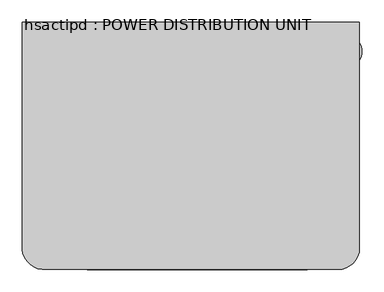
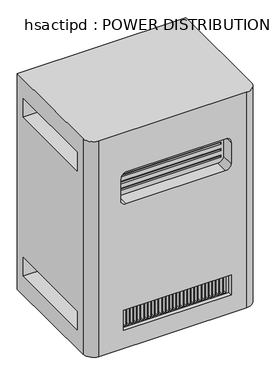
"""IFC4 building model written with IfcOpenShell, lengths in millimetres: proxy geometry, hsactipd : POWER DISTRIBUTION UNIT."""

from ifc_helpers import new_model, si_unit, frame, origin, place, context, project, spatial, polyline, circle_curve, source, transform, mapped, element, save
from ifc_brep_helpers import plane_surface, cylinder_surface, revolved_surface, advanced_brep


def hsactipd_power_distribution_unit_872da1f0(model_context):
    return source(origin(), model_context, "Body", "AdvancedBrep", [
        advanced_brep(
        [(777.1214984, -278.2670561, 1061.72), (13.3803622, -278.2670561, 1061.72), (13.3803622, -793.0708407, 1061.72), (58.9890922, -838.6795708, 1061.72), (728.6943488, -838.6795708, 1061.72), (777.1214984, -799.4290288, 1061.72), (777.1214984, -278.2670561, 29.0723606), (777.1214984, -799.4290288, 29.0723606), (728.6943488, -838.6795708, 29.0723606), (58.9890922, -838.6795708, 29.0723606), (13.3803622, -793.0708407, 29.0723606), (13.3803622, -278.2670561, 29.0723606), (13.3803622, -321.9979539, 118.507899), (13.3803622, -321.9979539, 207.407899), (13.3803622, -747.4479539, 207.407899), (13.3803622, -747.4479539, 118.507899), (13.3803622, -321.9979539, 880.507899), (13.3803622, -321.9979539, 969.407899), (13.3803622, -747.4479539, 969.407899), (13.3803622, -747.4479539, 880.507899), (658.9972816, -838.6795708, 211.3956245), (658.9972816, -838.6795708, 116.1456245), (170.0472816, -838.6795708, 116.1456245), (170.0472816, -838.6795708, 211.3956245), (633.5972816, -838.6795708, 871.292643), (658.9972816, -838.6795708, 845.892643), (658.9972816, -838.6795708, 745.3012718), (633.5972816, -838.6795708, 719.9012718), (182.7472816, -838.6795708, 719.9012718), (160.6748993, -838.6795708, 732.7326625), (160.6748993, -838.6795708, 845.892643), (186.0748993, -838.6795708, 871.292643), (777.1214984, -321.9979539, 207.407899), (777.1214984, -321.9979539, 118.507899), (777.1214984, -747.4479539, 118.507899), (777.1214984, -747.4479539, 207.407899), (777.1214984, -321.9979539, 969.407899), (777.1214984, -321.9979539, 880.507899), (777.1214984, -747.4479539, 880.507899), (777.1214984, -747.4479539, 969.407899), (658.9972816, -820.2558112, 211.3956245), (170.0472816, -820.2558112, 211.3956245), (170.0472816, -820.2558112, 116.1456245), (658.9972816, -820.2558112, 116.1456245), (190.1782237, -820.2558112, 207.407899), (190.1782237, -820.2558112, 120.3783251), (180.7461805, -820.2558112, 120.3783251), (180.7461805, -820.2558112, 207.407899), (206.3777551, -820.2558112, 207.407899), (206.3777551, -820.2558112, 120.3783251), (196.9457119, -820.2558112, 120.3783251), (196.9457119, -820.2558112, 207.407899), (222.6337551, -820.2558112, 207.407899), (222.6337551, -820.2558112, 120.3783251), (213.2017119, -820.2558112, 120.3783251), (213.2017119, -820.2558112, 207.407899), (238.8897551, -820.2558112, 207.407899), (238.8897551, -820.2558112, 120.3783251), (229.4577119, -820.2558112, 120.3783251), (229.4577119, -820.2558112, 207.407899), (255.1457551, -820.2558112, 207.407899), (255.1457551, -820.2558112, 120.3783251), (245.7137119, -820.2558112, 120.3783251), (245.7137119, -820.2558112, 207.407899), (271.4017551, -820.2558112, 207.407899), (271.4017551, -820.2558112, 120.3783251), (261.9697119, -820.2558112, 120.3783251), (261.9697119, -820.2558112, 207.407899), (287.6577551, -820.2558112, 207.407899), (287.6577551, -820.2558112, 120.3783251), (278.2257119, -820.2558112, 120.3783251), (278.2257119, -820.2558112, 207.407899), (303.9137551, -820.2558112, 207.407899), (303.9137551, -820.2558112, 120.3783251), (294.4817119, -820.2558112, 120.3783251), (294.4817119, -820.2558112, 207.407899), (320.1697551, -820.2558112, 207.407899), (320.1697551, -820.2558112, 120.3783251), (310.7377119, -820.2558112, 120.3783251), (310.7377119, -820.2558112, 207.407899), (336.4257551, -820.2558112, 207.407899), (336.4257551, -820.2558112, 120.3783251), (326.9937119, -820.2558112, 120.3783251), (326.9937119, -820.2558112, 207.407899), (352.6817551, -820.2558112, 207.407899), (352.6817551, -820.2558112, 120.3783251), (343.2497119, -820.2558112, 120.3783251), (343.2497119, -820.2558112, 207.407899), (368.9377551, -820.2558112, 207.407899), (368.9377551, -820.2558112, 120.3783251), (359.5057119, -820.2558112, 120.3783251), (359.5057119, -820.2558112, 207.407899), (385.1937551, -820.2558112, 207.407899), (385.1937551, -820.2558112, 120.3783251), (375.7617119, -820.2558112, 120.3783251), (375.7617119, -820.2558112, 207.407899), (401.4497551, -820.2558112, 207.407899), (401.4497551, -820.2558112, 120.3783251), (392.0177119, -820.2558112, 120.3783251), (392.0177119, -820.2558112, 207.407899), (417.7057551, -820.2558112, 207.407899), (417.7057551, -820.2558112, 120.3783251), (408.2737119, -820.2558112, 120.3783251), (408.2737119, -820.2558112, 207.407899), (433.9617551, -820.2558112, 207.407899), (433.9617551, -820.2558112, 120.3783251), (424.5297119, -820.2558112, 120.3783251), (424.5297119, -820.2558112, 207.407899), (450.2177551, -820.2558112, 207.407899), (450.2177551, -820.2558112, 120.3783251), (440.7857119, -820.2558112, 120.3783251), (440.7857119, -820.2558112, 207.407899), (466.4737551, -820.2558112, 207.407899), (466.4737551, -820.2558112, 120.3783251), (457.0417119, -820.2558112, 120.3783251), (457.0417119, -820.2558112, 207.407899), (482.7297551, -820.2558112, 207.407899), (482.7297551, -820.2558112, 120.3783251), (473.2977119, -820.2558112, 120.3783251), (473.2977119, -820.2558112, 207.407899), (498.9857551, -820.2558112, 207.407899), (498.9857551, -820.2558112, 120.3783251), (489.5537119, -820.2558112, 120.3783251), (489.5537119, -820.2558112, 207.407899), (515.2417551, -820.2558112, 207.407899), (515.2417551, -820.2558112, 120.3783251), (505.8097119, -820.2558112, 120.3783251), (505.8097119, -820.2558112, 207.407899), (531.4977551, -820.2558112, 207.407899), (531.4977551, -820.2558112, 120.3783251), (522.0657119, -820.2558112, 120.3783251), (522.0657119, -820.2558112, 207.407899), (547.7537551, -820.2558112, 207.407899), (547.7537551, -820.2558112, 120.3783251), (538.3217119, -820.2558112, 120.3783251), (538.3217119, -820.2558112, 207.407899), (564.0097551, -820.2558112, 207.407899), (564.0097551, -820.2558112, 120.3783251), (554.5777119, -820.2558112, 120.3783251), (554.5777119, -820.2558112, 207.407899), (580.2657551, -820.2558112, 207.407899), (580.2657551, -820.2558112, 120.3783251), (570.8337119, -820.2558112, 120.3783251), (570.8337119, -820.2558112, 207.407899), (596.5217551, -820.2558112, 207.407899), (596.5217551, -820.2558112, 120.3783251), (587.0897119, -820.2558112, 120.3783251), (587.0897119, -820.2558112, 207.407899), (612.7777551, -820.2558112, 207.407899), (612.7777551, -820.2558112, 120.3783251), (603.3457119, -820.2558112, 120.3783251), (603.3457119, -820.2558112, 207.407899), (629.0337551, -820.2558112, 207.407899), (629.0337551, -820.2558112, 120.3783251), (619.6017119, -820.2558112, 120.3783251), (619.6017119, -820.2558112, 207.407899), (645.2897551, -820.2558112, 207.407899), (645.2897551, -820.2558112, 120.3783251), (635.8577119, -820.2558112, 120.3783251), (635.8577119, -820.2558112, 207.407899), (190.1782237, -779.1979539, 207.407899), (180.7461805, -779.1979539, 207.407899), (180.7461805, -779.1979539, 120.3783251), (190.1782237, -779.1979539, 120.3783251), (206.3777551, -779.1979539, 207.407899), (196.9457119, -779.1979539, 207.407899), (196.9457119, -779.1979539, 120.3783251), (206.3777551, -779.1979539, 120.3783251), (222.6337551, -779.1979539, 207.407899), (213.2017119, -779.1979539, 207.407899), (213.2017119, -779.1979539, 120.3783251), (222.6337551, -779.1979539, 120.3783251), (238.8897551, -779.1979539, 207.407899), (229.4577119, -779.1979539, 207.407899), (229.4577119, -779.1979539, 120.3783251), (238.8897551, -779.1979539, 120.3783251), (255.1457551, -779.1979539, 207.407899), (245.7137119, -779.1979539, 207.407899), (245.7137119, -779.1979539, 120.3783251), (255.1457551, -779.1979539, 120.3783251), (271.4017551, -779.1979539, 207.407899), (261.9697119, -779.1979539, 207.407899), (261.9697119, -779.1979539, 120.3783251), (271.4017551, -779.1979539, 120.3783251), (287.6577551, -779.1979539, 207.407899), (278.2257119, -779.1979539, 207.407899), (278.2257119, -779.1979539, 120.3783251), (287.6577551, -779.1979539, 120.3783251), (303.9137551, -779.1979539, 207.407899), (294.4817119, -779.1979539, 207.407899), (294.4817119, -779.1979539, 120.3783251), (303.9137551, -779.1979539, 120.3783251), (320.1697551, -779.1979539, 207.407899), (310.7377119, -779.1979539, 207.407899), (310.7377119, -779.1979539, 120.3783251), (320.1697551, -779.1979539, 120.3783251), (336.4257551, -779.1979539, 207.407899), (326.9937119, -779.1979539, 207.407899), (326.9937119, -779.1979539, 120.3783251), (336.4257551, -779.1979539, 120.3783251), (352.6817551, -779.1979539, 207.407899), (343.2497119, -779.1979539, 207.407899), (343.2497119, -779.1979539, 120.3783251), (352.6817551, -779.1979539, 120.3783251), (368.9377551, -779.1979539, 207.407899), (359.5057119, -779.1979539, 207.407899), (359.5057119, -779.1979539, 120.3783251), (368.9377551, -779.1979539, 120.3783251), (385.1937551, -779.1979539, 207.407899), (375.7617119, -779.1979539, 207.407899), (375.7617119, -779.1979539, 120.3783251), (385.1937551, -779.1979539, 120.3783251), (401.4497551, -779.1979539, 207.407899), (392.0177119, -779.1979539, 207.407899), (392.0177119, -779.1979539, 120.3783251), (401.4497551, -779.1979539, 120.3783251), (417.7057551, -779.1979539, 207.407899), (408.2737119, -779.1979539, 207.407899), (408.2737119, -779.1979539, 120.3783251), (417.7057551, -779.1979539, 120.3783251), (433.9617551, -779.1979539, 207.407899), (424.5297119, -779.1979539, 207.407899), (424.5297119, -779.1979539, 120.3783251), (433.9617551, -779.1979539, 120.3783251), (450.2177551, -779.1979539, 207.407899), (440.7857119, -779.1979539, 207.407899), (440.7857119, -779.1979539, 120.3783251), (450.2177551, -779.1979539, 120.3783251), (466.4737551, -779.1979539, 207.407899), (457.0417119, -779.1979539, 207.407899), (457.0417119, -779.1979539, 120.3783251), (466.4737551, -779.1979539, 120.3783251), (482.7297551, -779.1979539, 207.407899), (473.2977119, -779.1979539, 207.407899), (473.2977119, -779.1979539, 120.3783251), (482.7297551, -779.1979539, 120.3783251), (498.9857551, -779.1979539, 207.407899), (489.5537119, -779.1979539, 207.407899), (489.5537119, -779.1979539, 120.3783251), (498.9857551, -779.1979539, 120.3783251), (515.2417551, -779.1979539, 207.407899), (505.8097119, -779.1979539, 207.407899), (505.8097119, -779.1979539, 120.3783251), (515.2417551, -779.1979539, 120.3783251), (531.4977551, -779.1979539, 207.407899), (522.0657119, -779.1979539, 207.407899), (522.0657119, -779.1979539, 120.3783251), (531.4977551, -779.1979539, 120.3783251), (547.7537551, -779.1979539, 207.407899), (538.3217119, -779.1979539, 207.407899), (538.3217119, -779.1979539, 120.3783251), (547.7537551, -779.1979539, 120.3783251), (564.0097551, -779.1979539, 207.407899), (554.5777119, -779.1979539, 207.407899), (554.5777119, -779.1979539, 120.3783251), (564.0097551, -779.1979539, 120.3783251), (580.2657551, -779.1979539, 207.407899), (570.8337119, -779.1979539, 207.407899), (570.8337119, -779.1979539, 120.3783251), (580.2657551, -779.1979539, 120.3783251), (596.5217551, -779.1979539, 207.407899), (587.0897119, -779.1979539, 207.407899), (587.0897119, -779.1979539, 120.3783251), (596.5217551, -779.1979539, 120.3783251), (612.7777551, -779.1979539, 207.407899), (603.3457119, -779.1979539, 207.407899), (603.3457119, -779.1979539, 120.3783251), (612.7777551, -779.1979539, 120.3783251), (629.0337551, -779.1979539, 207.407899), (619.6017119, -779.1979539, 207.407899), (619.6017119, -779.1979539, 120.3783251), (629.0337551, -779.1979539, 120.3783251), (645.2897551, -779.1979539, 207.407899), (635.8577119, -779.1979539, 207.407899), (635.8577119, -779.1979539, 120.3783251), (645.2897551, -779.1979539, 120.3783251), (633.5972816, -779.1979539, 871.292643), (186.0748993, -779.1979539, 871.292643), (160.6748993, -779.1979539, 845.892643), (160.6748993, -779.1979539, 732.7326625), (182.7472816, -779.1979539, 719.9012718), (633.5972816, -779.1979539, 719.9012718), (658.9972816, -779.1979539, 745.3012718), (658.9972816, -779.1979539, 845.892643), (647.2926794, -779.1979539, 848.614), (647.2926794, -779.1979539, 838.8967769), (170.9397372, -779.1979539, 838.8967769), (170.9397372, -779.1979539, 848.614), (647.2926794, -779.1979539, 816.864), (647.2926794, -779.1979539, 807.1467769), (170.9397372, -779.1979539, 807.1467769), (170.9397372, -779.1979539, 816.864), (647.2926794, -779.1979539, 785.114), (647.2926794, -779.1979539, 775.3967769), (170.9397372, -779.1979539, 775.3967769), (170.9397372, -779.1979539, 785.114), (647.2926794, -779.1979539, 753.364), (647.2926794, -779.1979539, 743.6467769), (170.9397372, -779.1979539, 743.6467769), (170.9397372, -779.1979539, 753.364), (647.2926794, -770.5456119, 848.614), (170.9397372, -770.5456119, 848.614), (170.9397372, -770.5456119, 838.8967769), (647.2926794, -770.5456119, 838.8967769), (647.2926794, -770.5456119, 816.864), (170.9397372, -770.5456119, 816.864), (170.9397372, -770.5456119, 807.1467769), (647.2926794, -770.5456119, 807.1467769), (647.2926794, -770.5456119, 785.114), (170.9397372, -770.5456119, 785.114), (170.9397372, -770.5456119, 775.3967769), (647.2926794, -770.5456119, 775.3967769), (647.2926794, -770.5456119, 753.364), (170.9397372, -770.5456119, 753.364), (170.9397372, -770.5456119, 743.6467769), (647.2926794, -770.5456119, 743.6467769), (706.2723647, -321.9979539, 207.407899), (706.2723647, -747.4479539, 207.407899), (706.2723647, -747.4479539, 118.507899), (706.2723647, -321.9979539, 118.507899), (706.2723647, -321.9979539, 969.407899), (706.2723647, -747.4479539, 969.407899), (706.2723647, -747.4479539, 880.507899), (706.2723647, -321.9979539, 880.507899), (85.7009313, -321.9979539, 207.407899), (85.7009313, -321.9979539, 118.507899), (85.7009313, -747.4479539, 118.507899), (85.7009313, -747.4479539, 207.407899), (85.7009313, -321.9979539, 969.407899), (85.7009313, -321.9979539, 880.507899), (85.7009313, -747.4479539, 880.507899), (85.7009313, -747.4479539, 969.407899)],
        [
            (0, 1),
            (1, 2),
            (2, 3, circle_curve(frame((64.1803622, -787.8795708, 1061.72), z_axis=(0.0, 0.0, 1.0), x_axis=(-1.0, 0.0, 0.0)), 51.06456)),
            (3, 4),
            (4, 5, circle_curve(frame((728.6943488, -789.1796955, 1061.72), z_axis=(0.0, 0.0, 1.0), x_axis=(-1.0, 0.0, 0.0)), 49.4998753)),
            (5, 0),
            (6, 7),
            (7, 8, circle_curve(frame((728.6943488, -789.1796955, 29.0723606), z_axis=(0.0, 0.0, -1.0), x_axis=(-1.0, 0.0, 0.0)), 49.4998753)),
            (8, 9),
            (9, 10, circle_curve(frame((64.1803622, -787.8795708, 29.0723606), z_axis=(0.0, 0.0, -1.0), x_axis=(-1.0, 0.0, 0.0)), 51.06456)),
            (10, 11),
            (11, 6),
            (0, 6),
            (11, 1),
            (10, 2),
            (12, 13),
            (13, 14),
            (14, 15),
            (15, 12),
            (16, 17),
            (17, 18),
            (18, 19),
            (19, 16),
            (9, 3),
            (8, 4),
            (20, 21),
            (21, 22),
            (22, 23),
            (23, 20),
            (24, 25, circle_curve(frame((633.5972816, -838.6795708, 845.892643), z_axis=(0.0, 1.0, 0.0), x_axis=(-1.0, 0.0, 0.0)), 25.4)),
            (25, 26),
            (26, 27, circle_curve(frame((633.5972816, -838.6795708, 745.3012718), z_axis=(0.0, 1.0, 0.0), x_axis=(-1.0, 0.0, 0.0)), 25.4)),
            (27, 28),
            (28, 29, circle_curve(frame((182.7472816, -838.6795708, 745.3012718), z_axis=(0.0, 1.0, 0.0), x_axis=(-1.0, 0.0, 0.0)), 25.4)),
            (29, 30),
            (30, 31, circle_curve(frame((186.0748993, -838.6795708, 845.892643), z_axis=(0.0, 1.0, 0.0), x_axis=(-1.0, 0.0, 0.0)), 25.4)),
            (31, 24),
            (7, 5),
            (32, 33),
            (33, 34),
            (34, 35),
            (35, 32),
            (36, 37),
            (37, 38),
            (38, 39),
            (39, 36),
            (40, 41),
            (41, 42),
            (42, 43),
            (43, 40),
            (44, 45),
            (45, 46),
            (46, 47),
            (47, 44),
            (48, 49),
            (49, 50),
            (50, 51),
            (51, 48),
            (52, 53),
            (53, 54),
            (54, 55),
            (55, 52),
            (56, 57),
            (57, 58),
            (58, 59),
            (59, 56),
            (60, 61),
            (61, 62),
            (62, 63),
            (63, 60),
            (64, 65),
            (65, 66),
            (66, 67),
            (67, 64),
            (68, 69),
            (69, 70),
            (70, 71),
            (71, 68),
            (72, 73),
            (73, 74),
            (74, 75),
            (75, 72),
            (76, 77),
            (77, 78),
            (78, 79),
            (79, 76),
            (80, 81),
            (81, 82),
            (82, 83),
            (83, 80),
            (84, 85),
            (85, 86),
            (86, 87),
            (87, 84),
            (88, 89),
            (89, 90),
            (90, 91),
            (91, 88),
            (92, 93),
            (93, 94),
            (94, 95),
            (95, 92),
            (96, 97),
            (97, 98),
            (98, 99),
            (99, 96),
            (100, 101),
            (101, 102),
            (102, 103),
            (103, 100),
            (104, 105),
            (105, 106),
            (106, 107),
            (107, 104),
            (108, 109),
            (109, 110),
            (110, 111),
            (111, 108),
            (112, 113),
            (113, 114),
            (114, 115),
            (115, 112),
            (116, 117),
            (117, 118),
            (118, 119),
            (119, 116),
            (120, 121),
            (121, 122),
            (122, 123),
            (123, 120),
            (124, 125),
            (125, 126),
            (126, 127),
            (127, 124),
            (128, 129),
            (129, 130),
            (130, 131),
            (131, 128),
            (132, 133),
            (133, 134),
            (134, 135),
            (135, 132),
            (136, 137),
            (137, 138),
            (138, 139),
            (139, 136),
            (140, 141),
            (141, 142),
            (142, 143),
            (143, 140),
            (144, 145),
            (145, 146),
            (146, 147),
            (147, 144),
            (148, 149),
            (149, 150),
            (150, 151),
            (151, 148),
            (152, 153),
            (153, 154),
            (154, 155),
            (155, 152),
            (156, 157),
            (157, 158),
            (158, 159),
            (159, 156),
            (43, 21),
            (20, 40),
            (42, 22),
            (41, 23),
            (160, 161),
            (161, 162),
            (162, 163),
            (163, 160),
            (164, 165),
            (165, 166),
            (166, 167),
            (167, 164),
            (168, 169),
            (169, 170),
            (170, 171),
            (171, 168),
            (172, 173),
            (173, 174),
            (174, 175),
            (175, 172),
            (176, 177),
            (177, 178),
            (178, 179),
            (179, 176),
            (180, 181),
            (181, 182),
            (182, 183),
            (183, 180),
            (184, 185),
            (185, 186),
            (186, 187),
            (187, 184),
            (188, 189),
            (189, 190),
            (190, 191),
            (191, 188),
            (192, 193),
            (193, 194),
            (194, 195),
            (195, 192),
            (196, 197),
            (197, 198),
            (198, 199),
            (199, 196),
            (200, 201),
            (201, 202),
            (202, 203),
            (203, 200),
            (204, 205),
            (205, 206),
            (206, 207),
            (207, 204),
            (208, 209),
            (209, 210),
            (210, 211),
            (211, 208),
            (212, 213),
            (213, 214),
            (214, 215),
            (215, 212),
            (216, 217),
            (217, 218),
            (218, 219),
            (219, 216),
            (220, 221),
            (221, 222),
            (222, 223),
            (223, 220),
            (224, 225),
            (225, 226),
            (226, 227),
            (227, 224),
            (228, 229),
            (229, 230),
            (230, 231),
            (231, 228),
            (232, 233),
            (233, 234),
            (234, 235),
            (235, 232),
            (236, 237),
            (237, 238),
            (238, 239),
            (239, 236),
            (240, 241),
            (241, 242),
            (242, 243),
            (243, 240),
            (244, 245),
            (245, 246),
            (246, 247),
            (247, 244),
            (248, 249),
            (249, 250),
            (250, 251),
            (251, 248),
            (252, 253),
            (253, 254),
            (254, 255),
            (255, 252),
            (256, 257),
            (257, 258),
            (258, 259),
            (259, 256),
            (260, 261),
            (261, 262),
            (262, 263),
            (263, 260),
            (264, 265),
            (265, 266),
            (266, 267),
            (267, 264),
            (268, 269),
            (269, 270),
            (270, 271),
            (271, 268),
            (272, 273),
            (273, 274),
            (274, 275),
            (275, 272),
            (163, 45),
            (44, 160),
            (162, 46),
            (161, 47),
            (167, 49),
            (48, 164),
            (166, 50),
            (165, 51),
            (171, 53),
            (52, 168),
            (170, 54),
            (169, 55),
            (175, 57),
            (56, 172),
            (174, 58),
            (173, 59),
            (179, 61),
            (60, 176),
            (178, 62),
            (177, 63),
            (183, 65),
            (64, 180),
            (182, 66),
            (181, 67),
            (187, 69),
            (68, 184),
            (186, 70),
            (185, 71),
            (191, 73),
            (72, 188),
            (190, 74),
            (189, 75),
            (195, 77),
            (76, 192),
            (194, 78),
            (193, 79),
            (199, 81),
            (80, 196),
            (198, 82),
            (197, 83),
            (203, 85),
            (84, 200),
            (202, 86),
            (201, 87),
            (207, 89),
            (88, 204),
            (206, 90),
            (205, 91),
            (211, 93),
            (92, 208),
            (210, 94),
            (209, 95),
            (215, 97),
            (96, 212),
            (214, 98),
            (213, 99),
            (219, 101),
            (100, 216),
            (218, 102),
            (217, 103),
            (223, 105),
            (104, 220),
            (222, 106),
            (221, 107),
            (227, 109),
            (108, 224),
            (226, 110),
            (225, 111),
            (231, 113),
            (112, 228),
            (230, 114),
            (229, 115),
            (235, 117),
            (116, 232),
            (234, 118),
            (233, 119),
            (239, 121),
            (120, 236),
            (238, 122),
            (237, 123),
            (243, 125),
            (124, 240),
            (242, 126),
            (241, 127),
            (247, 129),
            (128, 244),
            (246, 130),
            (245, 131),
            (251, 133),
            (132, 248),
            (250, 134),
            (249, 135),
            (255, 137),
            (136, 252),
            (254, 138),
            (253, 139),
            (259, 141),
            (140, 256),
            (258, 142),
            (257, 143),
            (263, 145),
            (144, 260),
            (262, 146),
            (261, 147),
            (267, 149),
            (148, 264),
            (266, 150),
            (265, 151),
            (271, 153),
            (152, 268),
            (270, 154),
            (269, 155),
            (275, 157),
            (156, 272),
            (274, 158),
            (273, 159),
            (276, 277),
            (277, 278, circle_curve(frame((186.0748993, -779.1979539, 845.892643), z_axis=(0.0, -1.0, 0.0), x_axis=(-1.0, 0.0, 0.0)), 25.4)),
            (278, 279),
            (279, 280, circle_curve(frame((182.7472816, -779.1979539, 745.3012718), z_axis=(0.0, -1.0, 0.0), x_axis=(-1.0, 0.0, 0.0)), 25.4)),
            (280, 281),
            (281, 282, circle_curve(frame((633.5972816, -779.1979539, 745.3012718), z_axis=(0.0, -1.0, 0.0), x_axis=(-1.0, 0.0, 0.0)), 25.4)),
            (282, 283),
            (283, 276, circle_curve(frame((633.5972816, -779.1979539, 845.892643), z_axis=(0.0, -1.0, 0.0), x_axis=(-1.0, 0.0, 0.0)), 25.4)),
            (284, 285),
            (285, 286),
            (286, 287),
            (287, 284),
            (288, 289),
            (289, 290),
            (290, 291),
            (291, 288),
            (292, 293),
            (293, 294),
            (294, 295),
            (295, 292),
            (296, 297),
            (297, 298),
            (298, 299),
            (299, 296),
            (283, 25),
            (24, 276),
            (282, 26),
            (281, 27),
            (280, 28),
            (279, 29),
            (278, 30),
            (277, 31),
            (300, 301),
            (301, 302),
            (302, 303),
            (303, 300),
            (304, 305),
            (305, 306),
            (306, 307),
            (307, 304),
            (308, 309),
            (309, 310),
            (310, 311),
            (311, 308),
            (312, 313),
            (313, 314),
            (314, 315),
            (315, 312),
            (303, 285),
            (284, 300),
            (302, 286),
            (301, 287),
            (307, 289),
            (288, 304),
            (306, 290),
            (305, 291),
            (311, 293),
            (292, 308),
            (310, 294),
            (309, 295),
            (315, 297),
            (296, 312),
            (314, 298),
            (313, 299),
            (316, 317),
            (317, 318),
            (318, 319),
            (319, 316),
            (320, 321),
            (321, 322),
            (322, 323),
            (323, 320),
            (319, 33),
            (32, 316),
            (318, 34),
            (317, 35),
            (323, 37),
            (36, 320),
            (322, 38),
            (321, 39),
            (324, 325),
            (325, 326),
            (326, 327),
            (327, 324),
            (328, 329),
            (329, 330),
            (330, 331),
            (331, 328),
            (324, 13),
            (12, 325),
            (15, 326),
            (14, 327),
            (328, 17),
            (16, 329),
            (19, 330),
            (18, 331),
        ],
        [
            plane_surface(frame((13.3803622, -278.2670561, 1061.72), z_axis=(0.0, 0.0, 1.0), x_axis=(-1.0, 0.0, 0.0))),
            plane_surface(frame((13.3803622, -278.2670561, 29.0723606), z_axis=(0.0, 0.0, -1.0), x_axis=(1.0, 0.0, 0.0))),
            plane_surface(frame((777.1214984, -278.2670561, 1061.72), z_axis=(0.0, 1.0, 0.0), x_axis=(0.0, 0.0, -1.0))),
            plane_surface(frame((13.3803622, -278.2670561, 1061.72), z_axis=(-1.0, 0.0, 0.0), x_axis=(0.0, 0.0, -1.0))),
            cylinder_surface(frame((64.1803622, -787.8795708, 29.0723606), z_axis=(0.0, 0.0, 1.0), x_axis=(-1.0, 0.0, 0.0)), 51.06456),
            plane_surface(frame((58.9890922, -838.6795708, 1061.72), z_axis=(0.0, -1.0, 0.0), x_axis=(0.0, 0.0, -1.0))),
            cylinder_surface(frame((728.6943488, -789.1796955, 29.0723606), z_axis=(0.0, 0.0, 1.0), x_axis=(-1.0, 0.0, 0.0)), 49.4998753),
            plane_surface(frame((777.1214984, -799.4290288, 1061.72), z_axis=(1.0, 0.0, 0.0), x_axis=(0.0, 0.0, -1.0))),
            plane_surface(frame((658.9972816, -820.2558112, 211.3956245), z_axis=(0.0, -1.0, 0.0), x_axis=(0.0, 0.0, -1.0))),
            plane_surface(frame((658.9972816, -820.2558112, 211.3956245), z_axis=(-1.0, 0.0, 0.0), x_axis=(0.0, -1.0, 0.0))),
            plane_surface(frame((658.9972816, -820.2558112, 116.1456245), z_axis=(0.0, 0.0, 1.0), x_axis=(0.0, -1.0, 0.0))),
            plane_surface(frame((170.0472816, -820.2558112, 116.1456245), z_axis=(1.0, 0.0, 0.0), x_axis=(0.0, -1.0, 0.0))),
            plane_surface(frame((170.0472816, -820.2558112, 211.3956245), z_axis=(0.0, 0.0, -1.0), x_axis=(0.0, -1.0, 0.0))),
            plane_surface(frame((190.1782237, -779.1979539, 206.614149), z_axis=(0.0, -1.0, 0.0), x_axis=(0.0, 0.0, -1.0))),
            plane_surface(frame((190.1782237, -779.1979539, 207.407899), z_axis=(-1.0, 0.0, 0.0), x_axis=(0.0, -1.0, 0.0))),
            plane_surface(frame((190.1782237, -779.1979539, 120.3783251), z_axis=(0.0, 0.0, 1.0), x_axis=(0.0, -1.0, 0.0))),
            plane_surface(frame((180.7461805, -779.1979539, 120.3783251), z_axis=(1.0, 0.0, 0.0), x_axis=(0.0, -1.0, 0.0))),
            plane_surface(frame((180.7461805, -779.1979539, 207.407899), z_axis=(0.0, 0.0, -1.0), x_axis=(0.0, -1.0, 0.0))),
            plane_surface(frame((206.3777551, -779.1979539, 207.407899), z_axis=(-1.0, 0.0, 0.0), x_axis=(0.0, -1.0, 0.0))),
            plane_surface(frame((206.3777551, -779.1979539, 120.3783251), z_axis=(0.0, 0.0, 1.0), x_axis=(0.0, -1.0, 0.0))),
            plane_surface(frame((196.9457119, -779.1979539, 120.3783251), z_axis=(1.0, 0.0, 0.0), x_axis=(0.0, -1.0, 0.0))),
            plane_surface(frame((196.9457119, -779.1979539, 207.407899), z_axis=(0.0, 0.0, -1.0), x_axis=(0.0, -1.0, 0.0))),
            plane_surface(frame((222.6337551, -779.1979539, 207.407899), z_axis=(-1.0, 0.0, 0.0), x_axis=(0.0, -1.0, 0.0))),
            plane_surface(frame((222.6337551, -779.1979539, 120.3783251), z_axis=(0.0, 0.0, 1.0), x_axis=(0.0, -1.0, 0.0))),
            plane_surface(frame((213.2017119, -779.1979539, 120.3783251), z_axis=(1.0, 0.0, 0.0), x_axis=(0.0, -1.0, 0.0))),
            plane_surface(frame((213.2017119, -779.1979539, 207.407899), z_axis=(0.0, 0.0, -1.0), x_axis=(0.0, -1.0, 0.0))),
            plane_surface(frame((238.8897551, -779.1979539, 207.407899), z_axis=(-1.0, 0.0, 0.0), x_axis=(0.0, -1.0, 0.0))),
            plane_surface(frame((238.8897551, -779.1979539, 120.3783251), z_axis=(0.0, 0.0, 1.0), x_axis=(0.0, -1.0, 0.0))),
            plane_surface(frame((229.4577119, -779.1979539, 120.3783251), z_axis=(1.0, 0.0, 0.0), x_axis=(0.0, -1.0, 0.0))),
            plane_surface(frame((229.4577119, -779.1979539, 207.407899), z_axis=(0.0, 0.0, -1.0), x_axis=(0.0, -1.0, 0.0))),
            plane_surface(frame((255.1457551, -779.1979539, 207.407899), z_axis=(-1.0, 0.0, 0.0), x_axis=(0.0, -1.0, 0.0))),
            plane_surface(frame((255.1457551, -779.1979539, 120.3783251), z_axis=(0.0, 0.0, 1.0), x_axis=(0.0, -1.0, 0.0))),
            plane_surface(frame((245.7137119, -779.1979539, 120.3783251), z_axis=(1.0, 0.0, 0.0), x_axis=(0.0, -1.0, 0.0))),
            plane_surface(frame((245.7137119, -779.1979539, 207.407899), z_axis=(0.0, 0.0, -1.0), x_axis=(0.0, -1.0, 0.0))),
            plane_surface(frame((271.4017551, -779.1979539, 207.407899), z_axis=(-1.0, 0.0, 0.0), x_axis=(0.0, -1.0, 0.0))),
            plane_surface(frame((271.4017551, -779.1979539, 120.3783251), z_axis=(0.0, 0.0, 1.0), x_axis=(0.0, -1.0, 0.0))),
            plane_surface(frame((261.9697119, -779.1979539, 120.3783251), z_axis=(1.0, 0.0, 0.0), x_axis=(0.0, -1.0, 0.0))),
            plane_surface(frame((261.9697119, -779.1979539, 207.407899), z_axis=(0.0, 0.0, -1.0), x_axis=(0.0, -1.0, 0.0))),
            plane_surface(frame((287.6577551, -779.1979539, 207.407899), z_axis=(-1.0, 0.0, 0.0), x_axis=(0.0, -1.0, 0.0))),
            plane_surface(frame((287.6577551, -779.1979539, 120.3783251), z_axis=(0.0, 0.0, 1.0), x_axis=(0.0, -1.0, 0.0))),
            plane_surface(frame((278.2257119, -779.1979539, 120.3783251), z_axis=(1.0, 0.0, 0.0), x_axis=(0.0, -1.0, 0.0))),
            plane_surface(frame((278.2257119, -779.1979539, 207.407899), z_axis=(0.0, 0.0, -1.0), x_axis=(0.0, -1.0, 0.0))),
            plane_surface(frame((303.9137551, -779.1979539, 207.407899), z_axis=(-1.0, 0.0, 0.0), x_axis=(0.0, -1.0, 0.0))),
            plane_surface(frame((303.9137551, -779.1979539, 120.3783251), z_axis=(0.0, 0.0, 1.0), x_axis=(0.0, -1.0, 0.0))),
            plane_surface(frame((294.4817119, -779.1979539, 120.3783251), z_axis=(1.0, 0.0, 0.0), x_axis=(0.0, -1.0, 0.0))),
            plane_surface(frame((294.4817119, -779.1979539, 207.407899), z_axis=(0.0, 0.0, -1.0), x_axis=(0.0, -1.0, 0.0))),
            plane_surface(frame((320.1697551, -779.1979539, 207.407899), z_axis=(-1.0, 0.0, 0.0), x_axis=(0.0, -1.0, 0.0))),
            plane_surface(frame((320.1697551, -779.1979539, 120.3783251), z_axis=(0.0, 0.0, 1.0), x_axis=(0.0, -1.0, 0.0))),
            plane_surface(frame((310.7377119, -779.1979539, 120.3783251), z_axis=(1.0, 0.0, 0.0), x_axis=(0.0, -1.0, 0.0))),
            plane_surface(frame((310.7377119, -779.1979539, 207.407899), z_axis=(0.0, 0.0, -1.0), x_axis=(0.0, -1.0, 0.0))),
            plane_surface(frame((336.4257551, -779.1979539, 207.407899), z_axis=(-1.0, 0.0, 0.0), x_axis=(0.0, -1.0, 0.0))),
            plane_surface(frame((336.4257551, -779.1979539, 120.3783251), z_axis=(0.0, 0.0, 1.0), x_axis=(0.0, -1.0, 0.0))),
            plane_surface(frame((326.9937119, -779.1979539, 120.3783251), z_axis=(1.0, 0.0, 0.0), x_axis=(0.0, -1.0, 0.0))),
            plane_surface(frame((326.9937119, -779.1979539, 207.407899), z_axis=(0.0, 0.0, -1.0), x_axis=(0.0, -1.0, 0.0))),
            plane_surface(frame((352.6817551, -779.1979539, 207.407899), z_axis=(-1.0, 0.0, 0.0), x_axis=(0.0, -1.0, 0.0))),
            plane_surface(frame((352.6817551, -779.1979539, 120.3783251), z_axis=(0.0, 0.0, 1.0), x_axis=(0.0, -1.0, 0.0))),
            plane_surface(frame((343.2497119, -779.1979539, 120.3783251), z_axis=(1.0, 0.0, 0.0), x_axis=(0.0, -1.0, 0.0))),
            plane_surface(frame((343.2497119, -779.1979539, 207.407899), z_axis=(0.0, 0.0, -1.0), x_axis=(0.0, -1.0, 0.0))),
            plane_surface(frame((368.9377551, -779.1979539, 207.407899), z_axis=(-1.0, 0.0, 0.0), x_axis=(0.0, -1.0, 0.0))),
            plane_surface(frame((368.9377551, -779.1979539, 120.3783251), z_axis=(0.0, 0.0, 1.0), x_axis=(0.0, -1.0, 0.0))),
            plane_surface(frame((359.5057119, -779.1979539, 120.3783251), z_axis=(1.0, 0.0, 0.0), x_axis=(0.0, -1.0, 0.0))),
            plane_surface(frame((359.5057119, -779.1979539, 207.407899), z_axis=(0.0, 0.0, -1.0), x_axis=(0.0, -1.0, 0.0))),
            plane_surface(frame((385.1937551, -779.1979539, 207.407899), z_axis=(-1.0, 0.0, 0.0), x_axis=(0.0, -1.0, 0.0))),
            plane_surface(frame((385.1937551, -779.1979539, 120.3783251), z_axis=(0.0, 0.0, 1.0), x_axis=(0.0, -1.0, 0.0))),
            plane_surface(frame((375.7617119, -779.1979539, 120.3783251), z_axis=(1.0, 0.0, 0.0), x_axis=(0.0, -1.0, 0.0))),
            plane_surface(frame((375.7617119, -779.1979539, 207.407899), z_axis=(0.0, 0.0, -1.0), x_axis=(0.0, -1.0, 0.0))),
            plane_surface(frame((401.4497551, -779.1979539, 207.407899), z_axis=(-1.0, 0.0, 0.0), x_axis=(0.0, -1.0, 0.0))),
            plane_surface(frame((401.4497551, -779.1979539, 120.3783251), z_axis=(0.0, 0.0, 1.0), x_axis=(0.0, -1.0, 0.0))),
            plane_surface(frame((392.0177119, -779.1979539, 120.3783251), z_axis=(1.0, 0.0, 0.0), x_axis=(0.0, -1.0, 0.0))),
            plane_surface(frame((392.0177119, -779.1979539, 207.407899), z_axis=(0.0, 0.0, -1.0), x_axis=(0.0, -1.0, 0.0))),
            plane_surface(frame((417.7057551, -779.1979539, 207.407899), z_axis=(-1.0, 0.0, 0.0), x_axis=(0.0, -1.0, 0.0))),
            plane_surface(frame((417.7057551, -779.1979539, 120.3783251), z_axis=(0.0, 0.0, 1.0), x_axis=(0.0, -1.0, 0.0))),
            plane_surface(frame((408.2737119, -779.1979539, 120.3783251), z_axis=(1.0, 0.0, 0.0), x_axis=(0.0, -1.0, 0.0))),
            plane_surface(frame((408.2737119, -779.1979539, 207.407899), z_axis=(0.0, 0.0, -1.0), x_axis=(0.0, -1.0, 0.0))),
            plane_surface(frame((433.9617551, -779.1979539, 207.407899), z_axis=(-1.0, 0.0, 0.0), x_axis=(0.0, -1.0, 0.0))),
            plane_surface(frame((433.9617551, -779.1979539, 120.3783251), z_axis=(0.0, 0.0, 1.0), x_axis=(0.0, -1.0, 0.0))),
            plane_surface(frame((424.5297119, -779.1979539, 120.3783251), z_axis=(1.0, 0.0, 0.0), x_axis=(0.0, -1.0, 0.0))),
            plane_surface(frame((424.5297119, -779.1979539, 207.407899), z_axis=(0.0, 0.0, -1.0), x_axis=(0.0, -1.0, 0.0))),
            plane_surface(frame((450.2177551, -779.1979539, 207.407899), z_axis=(-1.0, 0.0, 0.0), x_axis=(0.0, -1.0, 0.0))),
            plane_surface(frame((450.2177551, -779.1979539, 120.3783251), z_axis=(0.0, 0.0, 1.0), x_axis=(0.0, -1.0, 0.0))),
            plane_surface(frame((440.7857119, -779.1979539, 120.3783251), z_axis=(1.0, 0.0, 0.0), x_axis=(0.0, -1.0, 0.0))),
            plane_surface(frame((440.7857119, -779.1979539, 207.407899), z_axis=(0.0, 0.0, -1.0), x_axis=(0.0, -1.0, 0.0))),
            plane_surface(frame((466.4737551, -779.1979539, 207.407899), z_axis=(-1.0, 0.0, 0.0), x_axis=(0.0, -1.0, 0.0))),
            plane_surface(frame((466.4737551, -779.1979539, 120.3783251), z_axis=(0.0, 0.0, 1.0), x_axis=(0.0, -1.0, 0.0))),
            plane_surface(frame((457.0417119, -779.1979539, 120.3783251), z_axis=(1.0, 0.0, 0.0), x_axis=(0.0, -1.0, 0.0))),
            plane_surface(frame((457.0417119, -779.1979539, 207.407899), z_axis=(0.0, 0.0, -1.0), x_axis=(0.0, -1.0, 0.0))),
            plane_surface(frame((482.7297551, -779.1979539, 207.407899), z_axis=(-1.0, 0.0, 0.0), x_axis=(0.0, -1.0, 0.0))),
            plane_surface(frame((482.7297551, -779.1979539, 120.3783251), z_axis=(0.0, 0.0, 1.0), x_axis=(0.0, -1.0, 0.0))),
            plane_surface(frame((473.2977119, -779.1979539, 120.3783251), z_axis=(1.0, 0.0, 0.0), x_axis=(0.0, -1.0, 0.0))),
            plane_surface(frame((473.2977119, -779.1979539, 207.407899), z_axis=(0.0, 0.0, -1.0), x_axis=(0.0, -1.0, 0.0))),
            plane_surface(frame((498.9857551, -779.1979539, 207.407899), z_axis=(-1.0, 0.0, 0.0), x_axis=(0.0, -1.0, 0.0))),
            plane_surface(frame((498.9857551, -779.1979539, 120.3783251), z_axis=(0.0, 0.0, 1.0), x_axis=(0.0, -1.0, 0.0))),
            plane_surface(frame((489.5537119, -779.1979539, 120.3783251), z_axis=(1.0, 0.0, 0.0), x_axis=(0.0, -1.0, 0.0))),
            plane_surface(frame((489.5537119, -779.1979539, 207.407899), z_axis=(0.0, 0.0, -1.0), x_axis=(0.0, -1.0, 0.0))),
            plane_surface(frame((515.2417551, -779.1979539, 207.407899), z_axis=(-1.0, 0.0, 0.0), x_axis=(0.0, -1.0, 0.0))),
            plane_surface(frame((515.2417551, -779.1979539, 120.3783251), z_axis=(0.0, 0.0, 1.0), x_axis=(0.0, -1.0, 0.0))),
            plane_surface(frame((505.8097119, -779.1979539, 120.3783251), z_axis=(1.0, 0.0, 0.0), x_axis=(0.0, -1.0, 0.0))),
            plane_surface(frame((505.8097119, -779.1979539, 207.407899), z_axis=(0.0, 0.0, -1.0), x_axis=(0.0, -1.0, 0.0))),
            plane_surface(frame((531.4977551, -779.1979539, 207.407899), z_axis=(-1.0, 0.0, 0.0), x_axis=(0.0, -1.0, 0.0))),
            plane_surface(frame((531.4977551, -779.1979539, 120.3783251), z_axis=(0.0, 0.0, 1.0), x_axis=(0.0, -1.0, 0.0))),
            plane_surface(frame((522.0657119, -779.1979539, 120.3783251), z_axis=(1.0, 0.0, 0.0), x_axis=(0.0, -1.0, 0.0))),
            plane_surface(frame((522.0657119, -779.1979539, 207.407899), z_axis=(0.0, 0.0, -1.0), x_axis=(0.0, -1.0, 0.0))),
            plane_surface(frame((547.7537551, -779.1979539, 207.407899), z_axis=(-1.0, 0.0, 0.0), x_axis=(0.0, -1.0, 0.0))),
            plane_surface(frame((547.7537551, -779.1979539, 120.3783251), z_axis=(0.0, 0.0, 1.0), x_axis=(0.0, -1.0, 0.0))),
            plane_surface(frame((538.3217119, -779.1979539, 120.3783251), z_axis=(1.0, 0.0, 0.0), x_axis=(0.0, -1.0, 0.0))),
            plane_surface(frame((538.3217119, -779.1979539, 207.407899), z_axis=(0.0, 0.0, -1.0), x_axis=(0.0, -1.0, 0.0))),
            plane_surface(frame((564.0097551, -779.1979539, 207.407899), z_axis=(-1.0, 0.0, 0.0), x_axis=(0.0, -1.0, 0.0))),
            plane_surface(frame((564.0097551, -779.1979539, 120.3783251), z_axis=(0.0, 0.0, 1.0), x_axis=(0.0, -1.0, 0.0))),
            plane_surface(frame((554.5777119, -779.1979539, 120.3783251), z_axis=(1.0, 0.0, 0.0), x_axis=(0.0, -1.0, 0.0))),
            plane_surface(frame((554.5777119, -779.1979539, 207.407899), z_axis=(0.0, 0.0, -1.0), x_axis=(0.0, -1.0, 0.0))),
            plane_surface(frame((580.2657551, -779.1979539, 207.407899), z_axis=(-1.0, 0.0, 0.0), x_axis=(0.0, -1.0, 0.0))),
            plane_surface(frame((580.2657551, -779.1979539, 120.3783251), z_axis=(0.0, 0.0, 1.0), x_axis=(0.0, -1.0, 0.0))),
            plane_surface(frame((570.8337119, -779.1979539, 120.3783251), z_axis=(1.0, 0.0, 0.0), x_axis=(0.0, -1.0, 0.0))),
            plane_surface(frame((570.8337119, -779.1979539, 207.407899), z_axis=(0.0, 0.0, -1.0), x_axis=(0.0, -1.0, 0.0))),
            plane_surface(frame((596.5217551, -779.1979539, 207.407899), z_axis=(-1.0, 0.0, 0.0), x_axis=(0.0, -1.0, 0.0))),
            plane_surface(frame((596.5217551, -779.1979539, 120.3783251), z_axis=(0.0, 0.0, 1.0), x_axis=(0.0, -1.0, 0.0))),
            plane_surface(frame((587.0897119, -779.1979539, 120.3783251), z_axis=(1.0, 0.0, 0.0), x_axis=(0.0, -1.0, 0.0))),
            plane_surface(frame((587.0897119, -779.1979539, 207.407899), z_axis=(0.0, 0.0, -1.0), x_axis=(0.0, -1.0, 0.0))),
            plane_surface(frame((612.7777551, -779.1979539, 207.407899), z_axis=(-1.0, 0.0, 0.0), x_axis=(0.0, -1.0, 0.0))),
            plane_surface(frame((612.7777551, -779.1979539, 120.3783251), z_axis=(0.0, 0.0, 1.0), x_axis=(0.0, -1.0, 0.0))),
            plane_surface(frame((603.3457119, -779.1979539, 120.3783251), z_axis=(1.0, 0.0, 0.0), x_axis=(0.0, -1.0, 0.0))),
            plane_surface(frame((603.3457119, -779.1979539, 207.407899), z_axis=(0.0, 0.0, -1.0), x_axis=(0.0, -1.0, 0.0))),
            plane_surface(frame((629.0337551, -779.1979539, 207.407899), z_axis=(-1.0, 0.0, 0.0), x_axis=(0.0, -1.0, 0.0))),
            plane_surface(frame((629.0337551, -779.1979539, 120.3783251), z_axis=(0.0, 0.0, 1.0), x_axis=(0.0, -1.0, 0.0))),
            plane_surface(frame((619.6017119, -779.1979539, 120.3783251), z_axis=(1.0, 0.0, 0.0), x_axis=(0.0, -1.0, 0.0))),
            plane_surface(frame((619.6017119, -779.1979539, 207.407899), z_axis=(0.0, 0.0, -1.0), x_axis=(0.0, -1.0, 0.0))),
            plane_surface(frame((645.2897551, -779.1979539, 207.407899), z_axis=(-1.0, 0.0, 0.0), x_axis=(0.0, -1.0, 0.0))),
            plane_surface(frame((645.2897551, -779.1979539, 120.3783251), z_axis=(0.0, 0.0, 1.0), x_axis=(0.0, -1.0, 0.0))),
            plane_surface(frame((635.8577119, -779.1979539, 120.3783251), z_axis=(1.0, 0.0, 0.0), x_axis=(0.0, -1.0, 0.0))),
            plane_surface(frame((635.8577119, -779.1979539, 207.407899), z_axis=(0.0, 0.0, -1.0), x_axis=(0.0, -1.0, 0.0))),
            plane_surface(frame((608.1972816, -779.1979539, 845.892643), z_axis=(0.0, -1.0, 0.0), x_axis=(0.0, 0.0, 1.0))),
            revolved_surface(polyline([(608.1972816, -779.1979539, 845.892643), (608.1972816, -838.6795708, 845.892643)]), (633.5972816, -838.6795708, 845.892643), (0.0, 1.0, 0.0)),
            plane_surface(frame((658.9972816, -779.1979539, 845.892643), z_axis=(-1.0, 0.0, 0.0), x_axis=(0.0, -1.0, 0.0))),
            revolved_surface(polyline([(608.1972816, -779.1979539, 745.3012718), (608.1972816, -838.6795708, 745.3012718)]), (633.5972816, -838.6795708, 745.3012718), (0.0, 1.0, 0.0)),
            plane_surface(frame((633.5972816, -779.1979539, 719.9012718), z_axis=(0.0, 0.0, 1.0), x_axis=(0.0, -1.0, 0.0))),
            revolved_surface(polyline([(157.3472816, -779.1979539, 745.3012718), (157.3472816, -838.6795708, 745.3012718)]), (182.7472816, -838.6795708, 745.3012718), (0.0, 1.0, 0.0)),
            plane_surface(frame((160.6748993, -779.1979539, 732.7326625), z_axis=(1.0, 0.0, 0.0), x_axis=(0.0, -1.0, 0.0))),
            revolved_surface(polyline([(160.6748993, -779.1979539, 845.892643), (160.6748993, -838.6795708, 845.892643)]), (186.0748993, -838.6795708, 845.892643), (0.0, 1.0, 0.0)),
            plane_surface(frame((186.0748993, -779.1979539, 871.292643), z_axis=(0.0, 0.0, -1.0), x_axis=(0.0, -1.0, 0.0))),
            plane_surface(frame((647.2926794, -770.5456119, 848.614), z_axis=(0.0, -1.0, 0.0), x_axis=(0.0, 0.0, -1.0))),
            plane_surface(frame((647.2926794, -770.5456119, 848.614), z_axis=(-1.0, 0.0, 0.0), x_axis=(0.0, -1.0, 0.0))),
            plane_surface(frame((647.2926794, -770.5456119, 838.8967769), z_axis=(0.0, 0.0, 1.0), x_axis=(0.0, -1.0, 0.0))),
            plane_surface(frame((170.9397372, -770.5456119, 838.8967769), z_axis=(1.0, 0.0, 0.0), x_axis=(0.0, -1.0, 0.0))),
            plane_surface(frame((170.9397372, -770.5456119, 848.614), z_axis=(0.0, 0.0, -1.0), x_axis=(0.0, -1.0, 0.0))),
            plane_surface(frame((647.2926794, -770.5456119, 816.864), z_axis=(-1.0, 0.0, 0.0), x_axis=(0.0, -1.0, 0.0))),
            plane_surface(frame((647.2926794, -770.5456119, 807.1467769), z_axis=(0.0, 0.0, 1.0), x_axis=(0.0, -1.0, 0.0))),
            plane_surface(frame((170.9397372, -770.5456119, 807.1467769), z_axis=(1.0, 0.0, 0.0), x_axis=(0.0, -1.0, 0.0))),
            plane_surface(frame((170.9397372, -770.5456119, 816.864), z_axis=(0.0, 0.0, -1.0), x_axis=(0.0, -1.0, 0.0))),
            plane_surface(frame((647.2926794, -770.5456119, 785.114), z_axis=(-1.0, 0.0, 0.0), x_axis=(0.0, -1.0, 0.0))),
            plane_surface(frame((647.2926794, -770.5456119, 775.3967769), z_axis=(0.0, 0.0, 1.0), x_axis=(0.0, -1.0, 0.0))),
            plane_surface(frame((170.9397372, -770.5456119, 775.3967769), z_axis=(1.0, 0.0, 0.0), x_axis=(0.0, -1.0, 0.0))),
            plane_surface(frame((170.9397372, -770.5456119, 785.114), z_axis=(0.0, 0.0, -1.0), x_axis=(0.0, -1.0, 0.0))),
            plane_surface(frame((647.2926794, -770.5456119, 753.364), z_axis=(-1.0, 0.0, 0.0), x_axis=(0.0, -1.0, 0.0))),
            plane_surface(frame((647.2926794, -770.5456119, 743.6467769), z_axis=(0.0, 0.0, 1.0), x_axis=(0.0, -1.0, 0.0))),
            plane_surface(frame((170.9397372, -770.5456119, 743.6467769), z_axis=(1.0, 0.0, 0.0), x_axis=(0.0, -1.0, 0.0))),
            plane_surface(frame((170.9397372, -770.5456119, 753.364), z_axis=(0.0, 0.0, -1.0), x_axis=(0.0, -1.0, 0.0))),
            plane_surface(frame((706.2723647, -766.4979539, 207.407899), z_axis=(1.0, 0.0, 0.0), x_axis=(0.0, 1.0, 0.0))),
            plane_surface(frame((1079.1030789, -321.9979539, 118.507899), z_axis=(0.0, -1.0, 0.0), x_axis=(-1.0, 0.0, 0.0))),
            plane_surface(frame((1079.1030789, -747.4479539, 118.507899), z_axis=(0.0, 0.0, 1.0), x_axis=(-1.0, 0.0, 0.0))),
            plane_surface(frame((1079.1030789, -747.4479539, 207.407899), z_axis=(0.0, 1.0, 0.0), x_axis=(-1.0, 0.0, 0.0))),
            plane_surface(frame((1079.1030789, -321.9979539, 207.407899), z_axis=(0.0, 0.0, -1.0), x_axis=(-1.0, 0.0, 0.0))),
            plane_surface(frame((1079.1030789, -321.9979539, 880.507899), z_axis=(0.0, -1.0, 0.0), x_axis=(-1.0, 0.0, 0.0))),
            plane_surface(frame((1079.1030789, -747.4479539, 880.507899), z_axis=(0.0, 0.0, 1.0), x_axis=(-1.0, 0.0, 0.0))),
            plane_surface(frame((1079.1030789, -747.4479539, 969.407899), z_axis=(0.0, 1.0, 0.0), x_axis=(-1.0, 0.0, 0.0))),
            plane_surface(frame((1079.1030789, -321.9979539, 969.407899), z_axis=(0.0, 0.0, -1.0), x_axis=(-1.0, 0.0, 0.0))),
            plane_surface(frame((85.7009313, -321.9979539, 207.407899), z_axis=(-1.0, 0.0, 0.0), x_axis=(0.0, 0.0, 1.0))),
            plane_surface(frame((-288.6012183, -321.9979539, 207.407899), z_axis=(0.0, -1.0, 0.0), x_axis=(1.0, 0.0, 0.0))),
            plane_surface(frame((-288.6012183, -321.9979539, 118.507899), z_axis=(0.0, 0.0, 1.0), x_axis=(1.0, 0.0, 0.0))),
            plane_surface(frame((-288.6012183, -747.4479539, 118.507899), z_axis=(0.0, 1.0, 0.0), x_axis=(1.0, 0.0, 0.0))),
            plane_surface(frame((-288.6012183, -747.4479539, 207.407899), z_axis=(0.0, 0.0, -1.0), x_axis=(1.0, 0.0, 0.0))),
            plane_surface(frame((-288.6012183, -321.9979539, 969.407899), z_axis=(0.0, -1.0, 0.0), x_axis=(1.0, 0.0, 0.0))),
            plane_surface(frame((-288.6012183, -321.9979539, 880.507899), z_axis=(0.0, 0.0, 1.0), x_axis=(1.0, 0.0, 0.0))),
            plane_surface(frame((-288.6012183, -747.4479539, 880.507899), z_axis=(0.0, 1.0, 0.0), x_axis=(1.0, 0.0, 0.0))),
            plane_surface(frame((-288.6012183, -747.4479539, 969.407899), z_axis=(0.0, 0.0, -1.0), x_axis=(1.0, 0.0, 0.0))),
        ],
        [
            (0, [[1, 2, 3, 4, 5, 6]]),
            (1, [[7, 8, 9, 10, 11, 12]]),
            (2, [[-1, 13, -12, 14]]),
            (3, [[-2, -14, -11, 15], [16, 17, 18, 19], [20, 21, 22, 23]]),
            (4, [[-3, -15, -10, 24]]),
            (5, [[-4, -24, -9, 25], [26, 27, 28, 29], [30, 31, 32, 33, 34, 35, 36, 37]]),
            (6, [[-5, -25, -8, 38]]),
            (7, [[-6, -38, -7, -13], [39, 40, 41, 42], [43, 44, 45, 46]]),
            (8, [[47, 48, 49, 50], [51, 52, 53, 54], [55, 56, 57, 58], [59, 60, 61, 62], [63, 64, 65, 66], [67, 68, 69, 70], [71, 72, 73, 74], [75, 76, 77, 78], [79, 80, 81, 82], [83, 84, 85, 86], [87, 88, 89, 90], [91, 92, 93, 94], [95, 96, 97, 98], [99, 100, 101, 102], [103, 104, 105, 106], [107, 108, 109, 110], [111, 112, 113, 114], [115, 116, 117, 118], [119, 120, 121, 122], [123, 124, 125, 126], [127, 128, 129, 130], [131, 132, 133, 134], [135, 136, 137, 138], [139, 140, 141, 142], [143, 144, 145, 146], [147, 148, 149, 150], [151, 152, 153, 154], [155, 156, 157, 158], [159, 160, 161, 162], [163, 164, 165, 166]]),
            (9, [[-50, 167, -26, 168]]),
            (10, [[-49, 169, -27, -167]]),
            (11, [[-48, 170, -28, -169]]),
            (12, [[-47, -168, -29, -170]]),
            (13, [[171, 172, 173, 174]]),
            (13, [[175, 176, 177, 178]]),
            (13, [[179, 180, 181, 182]]),
            (13, [[183, 184, 185, 186]]),
            (13, [[187, 188, 189, 190]]),
            (13, [[191, 192, 193, 194]]),
            (13, [[195, 196, 197, 198]]),
            (13, [[199, 200, 201, 202]]),
            (13, [[203, 204, 205, 206]]),
            (13, [[207, 208, 209, 210]]),
            (13, [[211, 212, 213, 214]]),
            (13, [[215, 216, 217, 218]]),
            (13, [[219, 220, 221, 222]]),
            (13, [[223, 224, 225, 226]]),
            (13, [[227, 228, 229, 230]]),
            (13, [[231, 232, 233, 234]]),
            (13, [[235, 236, 237, 238]]),
            (13, [[239, 240, 241, 242]]),
            (13, [[243, 244, 245, 246]]),
            (13, [[247, 248, 249, 250]]),
            (13, [[251, 252, 253, 254]]),
            (13, [[255, 256, 257, 258]]),
            (13, [[259, 260, 261, 262]]),
            (13, [[263, 264, 265, 266]]),
            (13, [[267, 268, 269, 270]]),
            (13, [[271, 272, 273, 274]]),
            (13, [[275, 276, 277, 278]]),
            (13, [[279, 280, 281, 282]]),
            (13, [[283, 284, 285, 286]]),
            (14, [[-174, 287, -51, 288]]),
            (15, [[-173, 289, -52, -287]]),
            (16, [[-172, 290, -53, -289]]),
            (17, [[-171, -288, -54, -290]]),
            (18, [[-178, 291, -55, 292]]),
            (19, [[-177, 293, -56, -291]]),
            (20, [[-176, 294, -57, -293]]),
            (21, [[-175, -292, -58, -294]]),
            (22, [[-182, 295, -59, 296]]),
            (23, [[-181, 297, -60, -295]]),
            (24, [[-180, 298, -61, -297]]),
            (25, [[-179, -296, -62, -298]]),
            (26, [[-186, 299, -63, 300]]),
            (27, [[-185, 301, -64, -299]]),
            (28, [[-184, 302, -65, -301]]),
            (29, [[-183, -300, -66, -302]]),
            (30, [[-190, 303, -67, 304]]),
            (31, [[-189, 305, -68, -303]]),
            (32, [[-188, 306, -69, -305]]),
            (33, [[-187, -304, -70, -306]]),
            (34, [[-194, 307, -71, 308]]),
            (35, [[-193, 309, -72, -307]]),
            (36, [[-192, 310, -73, -309]]),
            (37, [[-191, -308, -74, -310]]),
            (38, [[-198, 311, -75, 312]]),
            (39, [[-197, 313, -76, -311]]),
            (40, [[-196, 314, -77, -313]]),
            (41, [[-195, -312, -78, -314]]),
            (42, [[-202, 315, -79, 316]]),
            (43, [[-201, 317, -80, -315]]),
            (44, [[-200, 318, -81, -317]]),
            (45, [[-199, -316, -82, -318]]),
            (46, [[-206, 319, -83, 320]]),
            (47, [[-205, 321, -84, -319]]),
            (48, [[-204, 322, -85, -321]]),
            (49, [[-203, -320, -86, -322]]),
            (50, [[-210, 323, -87, 324]]),
            (51, [[-209, 325, -88, -323]]),
            (52, [[-208, 326, -89, -325]]),
            (53, [[-207, -324, -90, -326]]),
            (54, [[-214, 327, -91, 328]]),
            (55, [[-213, 329, -92, -327]]),
            (56, [[-212, 330, -93, -329]]),
            (57, [[-211, -328, -94, -330]]),
            (58, [[-218, 331, -95, 332]]),
            (59, [[-217, 333, -96, -331]]),
            (60, [[-216, 334, -97, -333]]),
            (61, [[-215, -332, -98, -334]]),
            (62, [[-222, 335, -99, 336]]),
            (63, [[-221, 337, -100, -335]]),
            (64, [[-220, 338, -101, -337]]),
            (65, [[-219, -336, -102, -338]]),
            (66, [[-226, 339, -103, 340]]),
            (67, [[-225, 341, -104, -339]]),
            (68, [[-224, 342, -105, -341]]),
            (69, [[-223, -340, -106, -342]]),
            (70, [[-230, 343, -107, 344]]),
            (71, [[-229, 345, -108, -343]]),
            (72, [[-228, 346, -109, -345]]),
            (73, [[-227, -344, -110, -346]]),
            (74, [[-234, 347, -111, 348]]),
            (75, [[-233, 349, -112, -347]]),
            (76, [[-232, 350, -113, -349]]),
            (77, [[-231, -348, -114, -350]]),
            (78, [[-238, 351, -115, 352]]),
            (79, [[-237, 353, -116, -351]]),
            (80, [[-236, 354, -117, -353]]),
            (81, [[-235, -352, -118, -354]]),
            (82, [[-242, 355, -119, 356]]),
            (83, [[-241, 357, -120, -355]]),
            (84, [[-240, 358, -121, -357]]),
            (85, [[-239, -356, -122, -358]]),
            (86, [[-246, 359, -123, 360]]),
            (87, [[-245, 361, -124, -359]]),
            (88, [[-244, 362, -125, -361]]),
            (89, [[-243, -360, -126, -362]]),
            (90, [[-250, 363, -127, 364]]),
            (91, [[-249, 365, -128, -363]]),
            (92, [[-248, 366, -129, -365]]),
            (93, [[-247, -364, -130, -366]]),
            (94, [[-254, 367, -131, 368]]),
            (95, [[-253, 369, -132, -367]]),
            (96, [[-252, 370, -133, -369]]),
            (97, [[-251, -368, -134, -370]]),
            (98, [[-258, 371, -135, 372]]),
            (99, [[-257, 373, -136, -371]]),
            (100, [[-256, 374, -137, -373]]),
            (101, [[-255, -372, -138, -374]]),
            (102, [[-262, 375, -139, 376]]),
            (103, [[-261, 377, -140, -375]]),
            (104, [[-260, 378, -141, -377]]),
            (105, [[-259, -376, -142, -378]]),
            (106, [[-266, 379, -143, 380]]),
            (107, [[-265, 381, -144, -379]]),
            (108, [[-264, 382, -145, -381]]),
            (109, [[-263, -380, -146, -382]]),
            (110, [[-270, 383, -147, 384]]),
            (111, [[-269, 385, -148, -383]]),
            (112, [[-268, 386, -149, -385]]),
            (113, [[-267, -384, -150, -386]]),
            (114, [[-274, 387, -151, 388]]),
            (115, [[-273, 389, -152, -387]]),
            (116, [[-272, 390, -153, -389]]),
            (117, [[-271, -388, -154, -390]]),
            (118, [[-278, 391, -155, 392]]),
            (119, [[-277, 393, -156, -391]]),
            (120, [[-276, 394, -157, -393]]),
            (121, [[-275, -392, -158, -394]]),
            (122, [[-282, 395, -159, 396]]),
            (123, [[-281, 397, -160, -395]]),
            (124, [[-280, 398, -161, -397]]),
            (125, [[-279, -396, -162, -398]]),
            (126, [[-286, 399, -163, 400]]),
            (127, [[-285, 401, -164, -399]]),
            (128, [[-284, 402, -165, -401]]),
            (129, [[-283, -400, -166, -402]]),
            (130, [[403, 404, 405, 406, 407, 408, 409, 410], [411, 412, 413, 414], [415, 416, 417, 418], [419, 420, 421, 422], [423, 424, 425, 426]]),
            (131, [[-410, 427, -30, 428]]),
            (132, [[-409, 429, -31, -427]]),
            (133, [[-408, 430, -32, -429]]),
            (134, [[-407, 431, -33, -430]]),
            (135, [[-406, 432, -34, -431]]),
            (136, [[-405, 433, -35, -432]]),
            (137, [[-404, 434, -36, -433]]),
            (138, [[-403, -428, -37, -434]]),
            (139, [[435, 436, 437, 438]]),
            (139, [[439, 440, 441, 442]]),
            (139, [[443, 444, 445, 446]]),
            (139, [[447, 448, 449, 450]]),
            (140, [[-438, 451, -411, 452]]),
            (141, [[-437, 453, -412, -451]]),
            (142, [[-436, 454, -413, -453]]),
            (143, [[-435, -452, -414, -454]]),
            (144, [[-442, 455, -415, 456]]),
            (145, [[-441, 457, -416, -455]]),
            (146, [[-440, 458, -417, -457]]),
            (147, [[-439, -456, -418, -458]]),
            (148, [[-446, 459, -419, 460]]),
            (149, [[-445, 461, -420, -459]]),
            (150, [[-444, 462, -421, -461]]),
            (151, [[-443, -460, -422, -462]]),
            (152, [[-450, 463, -423, 464]]),
            (153, [[-449, 465, -424, -463]]),
            (154, [[-448, 466, -425, -465]]),
            (155, [[-447, -464, -426, -466]]),
            (156, [[467, 468, 469, 470]]),
            (156, [[471, 472, 473, 474]]),
            (157, [[-470, 475, -39, 476]]),
            (158, [[-469, 477, -40, -475]]),
            (159, [[-468, 478, -41, -477]]),
            (160, [[-467, -476, -42, -478]]),
            (161, [[-474, 479, -43, 480]]),
            (162, [[-473, 481, -44, -479]]),
            (163, [[-472, 482, -45, -481]]),
            (164, [[-471, -480, -46, -482]]),
            (165, [[483, 484, 485, 486]]),
            (165, [[487, 488, 489, 490]]),
            (166, [[-483, 491, -16, 492]]),
            (167, [[-484, -492, -19, 493]]),
            (168, [[-485, -493, -18, 494]]),
            (169, [[-486, -494, -17, -491]]),
            (170, [[-487, 495, -20, 496]]),
            (171, [[-488, -496, -23, 497]]),
            (172, [[-489, -497, -22, 498]]),
            (173, [[-490, -498, -21, -495]]),
        ],
    ),
        advanced_brep(
        [(745.5569365, -355.590367, 29.0798949), (745.5569365, -333.4999952, 29.0798949), (745.5569365, -344.5451811, 29.0798949), (745.5569365, -355.590367, 12.6661982), (745.5569365, -333.4999952, 12.6661982), (745.5569365, -382.3968599, 0.1661253), (745.5569365, -306.6935023, 0.1661253), (745.5569365, -344.5451811, 0.1661253)],
        [
            (0, 1, circle_curve(frame((745.5569365, -344.5451811, 29.0798949), z_axis=(0.0, 0.0, 1.0), x_axis=(0.0, 1.0, 0.0)), 11.0451859)),
            (1, 2),
            (2, 0),
            (1, 0, circle_curve(frame((745.5569365, -344.5451811, 29.0798949), z_axis=(0.0, 0.0, 1.0), x_axis=(0.0, 1.0, 0.0)), 11.0451859)),
            (3, 4, circle_curve(frame((745.5569365, -344.5451811, 12.6661982), z_axis=(0.0, 0.0, 1.0), x_axis=(0.0, 1.0, 0.0)), 11.0451859)),
            (4, 1),
            (0, 3),
            (4, 3, circle_curve(frame((745.5569365, -344.5451811, 12.6661982), z_axis=(0.0, 0.0, 1.0), x_axis=(0.0, 1.0, 0.0)), 11.0451859)),
            (5, 6, circle_curve(frame((745.5569365, -344.5451811, 0.1661253), z_axis=(0.0, 0.0, 1.0), x_axis=(0.0, 1.0, 0.0)), 37.8516788)),
            (6, 4),
            (3, 5),
            (6, 5, circle_curve(frame((745.5569365, -344.5451811, 0.1661253), z_axis=(0.0, 0.0, 1.0), x_axis=(0.0, 1.0, 0.0)), 37.8516788)),
            (7, 6),
            (5, 7),
        ],
        [
            plane_surface(frame((745.5569365, -344.5451811, 29.0798949), z_axis=(0.0, 0.0, 1.0), x_axis=(0.0, 1.0, 0.0))),
            cylinder_surface(frame((745.5569365, -344.5451811, 29.0798949), z_axis=(0.0, 0.0, -1.0), x_axis=(0.0, 1.0, 0.0)), 11.0451859),
            revolved_surface(polyline([(745.5569365, -333.4999952, 12.6661982), (745.5569365, -306.6935023, 0.1661253)]), (745.5569365, -344.5451811, 29.0798949), (0.0, 0.0, -1.0)),
            plane_surface(frame((745.5569365, -344.5451811, 0.1661253), z_axis=(0.0, 0.0, -1.0), x_axis=(0.0, 1.0, 0.0))),
        ],
        [
            (0, [[1, 2, 3]]),
            (0, [[4, -3, -2]]),
            (1, [[5, 6, -1, 7]]),
            (1, [[8, -7, -4, -6]]),
            (2, [[9, 10, -5, 11]]),
            (2, [[12, -11, -8, -10]]),
            (3, [[13, -9, 14]]),
            (3, [[-14, -12, -13]]),
        ],
    ),
    ])


if __name__ == "__main__":
    model = new_model("IFC4")
    model_context = context("Model", 3, world=origin())
    ifc_project = project(units=[si_unit("LENGTHUNIT", "METRE", prefix="MILLI")], contexts=[model_context])
    site = spatial("IfcSite", under=ifc_project)
    building = spatial("IfcBuilding", under=site)
    placement = place(None, origin())
    hsactipd_power_distribution_unit_shape = hsactipd_power_distribution_unit_872da1f0(model_context)
    element("IfcBuildingElementProxy", 1, Name="hsactipd : POWER DISTRIBUTION UNIT", ObjectType="hsactipd : POWER DISTRIBUTION UNIT", at=placement, inside=building, context=model_context, shape_type="MappedRepresentation", body=[
        mapped(hsactipd_power_distribution_unit_shape, transform((0.0, 0.0, 0.0), x_axis=(1.0, 0.0, 0.0), y_axis=(0.0, 1.0, 0.0), z_axis=(0.0, 0.0, 1.0))),
    ])
    save(model, "model.ifc")
